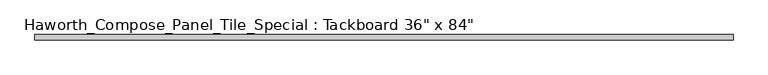
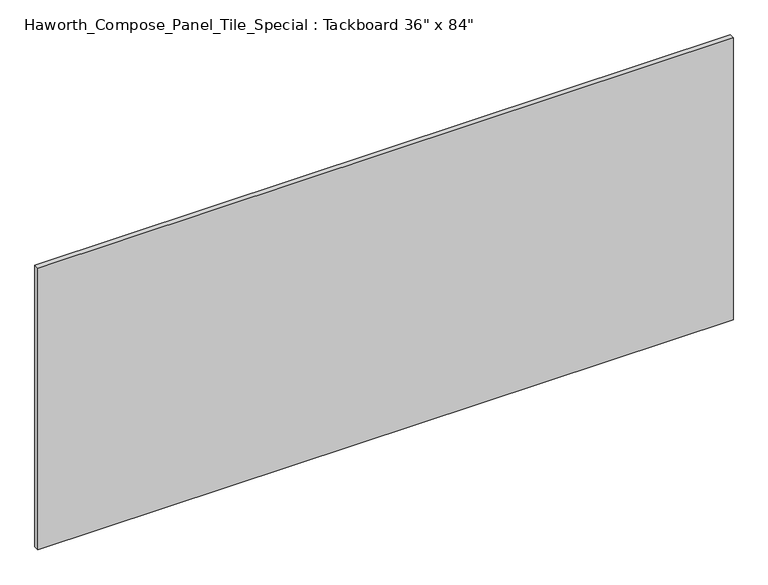
"""IFC4 building model written with IfcOpenShell, lengths in millimetres: furniture geometry."""

from ifc_helpers import new_model, si_unit, frame, origin, place, context, project, spatial, polyline, outline, extrude, source, transform, mapped, element, save


def furniture_f3948705(model_context):
    return source(origin(), model_context, "Body", "SweptSolid", [
        extrude(outline(polyline([(1069.2402902, -28.8968594), (-1064.3597098, -28.8968594), (-1064.3597098, -13.0218594), (1069.2402902, -13.0218594), (1069.2402902, -28.8968594)])), frame((0.0, 0.0, 1066.8), z_axis=(0.0, 0.0, 1.0), x_axis=(1.0, 0.0, 0.0)), (0.0, 0.0, 1.0), 914.4),
    ])


if __name__ == "__main__":
    model = new_model("IFC4")
    model_context = context("Model", 3, world=origin())
    ifc_project = project(units=[si_unit("LENGTHUNIT", "METRE", prefix="MILLI")], contexts=[model_context])
    site = spatial("IfcSite", under=ifc_project)
    building = spatial("IfcBuilding", under=site)
    placement = place(None, origin())
    furniture_shape = furniture_f3948705(model_context)
    element("IfcFurniture", 1, ObjectType="Haworth_Compose_Panel_Tile_Special : Tackboard 36\" x 84\"", at=placement, inside=building, context=model_context, shape_type="MappedRepresentation", body=[
        mapped(furniture_shape, transform((0.0, 0.0, 0.0), x_axis=(1.0, 0.0, 0.0), y_axis=(0.0, 1.0, 0.0), z_axis=(0.0, 0.0, 1.0))),
    ])
    save(model, "model.ifc")
